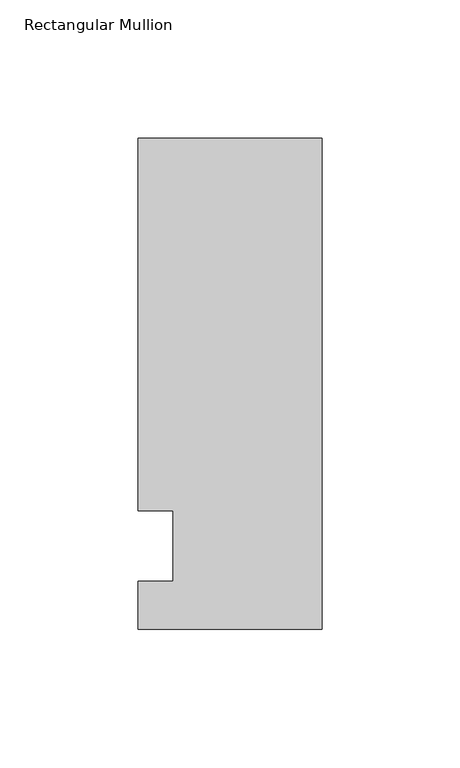
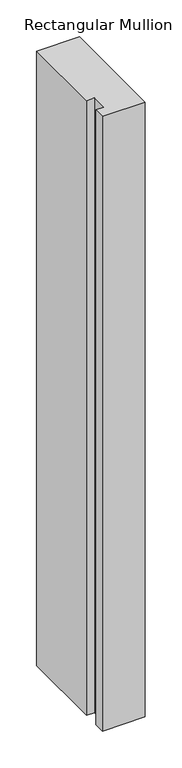
"""IFC4 building model written with IfcOpenShell, lengths in millimetres: member geometry, Rectangular Mullion."""

from ifc_helpers import new_model, si_unit, frame, origin, place, context, project, spatial, polyline, outline, extrude, source, transform, mapped, element, save


def rectangular_mullion_18670388(model_context):
    return source(origin(), model_context, "Body", "SweptSolid", [
        extrude(outline(polyline([(-66.675, 147.6375), (0.0, 147.6375), (0.0, -30.1625), (-66.675, -30.1625), (-66.675, -12.7), (-53.9732296, -12.7), (-53.9732296, 12.7), (-66.675, 12.7), (-66.675, 147.6375)])), frame((0.0, 0.0, -1016.0), z_axis=(0.0, 0.0, 1.0), x_axis=(1.0, 0.0, 0.0)), (0.0, 0.0, 1.0), 1016.0),
    ])


if __name__ == "__main__":
    model = new_model("IFC4")
    model_context = context("Model", 3, world=origin())
    ifc_project = project(units=[si_unit("LENGTHUNIT", "METRE", prefix="MILLI")], contexts=[model_context])
    site = spatial("IfcSite", under=ifc_project)
    building = spatial("IfcBuilding", under=site)
    placement = place(None, origin())
    rectangular_mullion_shape = rectangular_mullion_18670388(model_context)
    element("IfcMember", 1, ObjectType="Rectangular Mullion", at=placement, inside=building, context=model_context, shape_type="MappedRepresentation", body=[
        mapped(rectangular_mullion_shape, transform((0.0, 0.0, 0.0), x_axis=(1.0, 0.0, 0.0), y_axis=(0.0, 1.0, 0.0), z_axis=(0.0, 0.0, 1.0))),
    ])
    save(model, "model.ifc")
